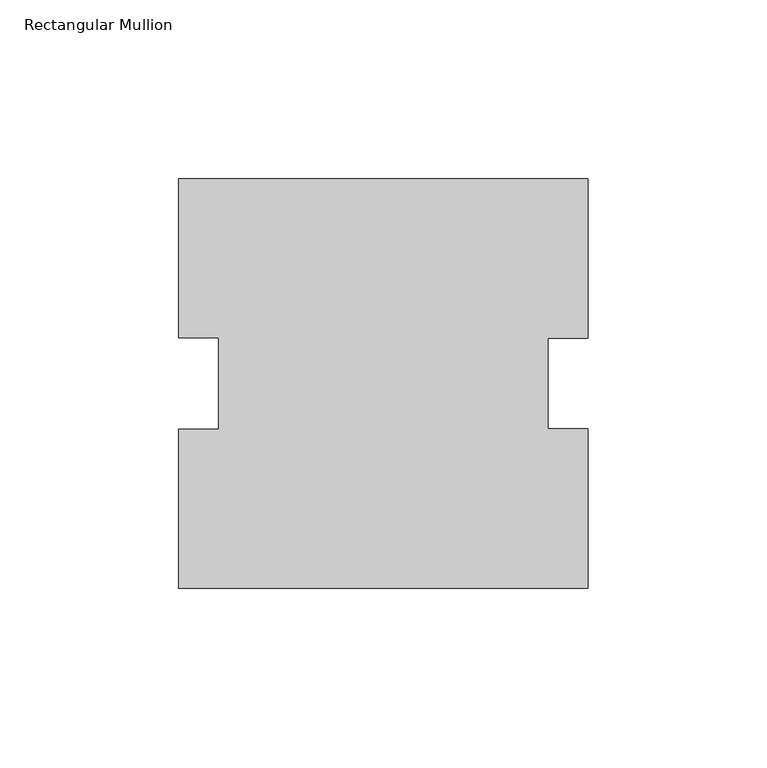
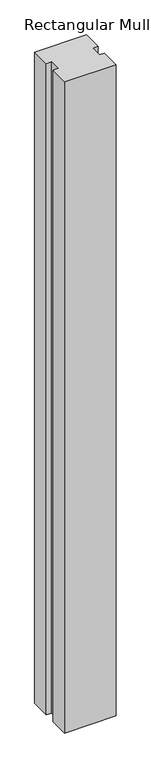
"""IFC4 building model written with IfcOpenShell, lengths in millimetres: member geometry, Rectangular Mullion."""

from ifc_helpers import new_model, si_unit, frame, origin, place, context, project, spatial, polyline, outline, extrude, source, transform, mapped, element, save


def rectangular_mullion_e9bba9c1(model_context):
    return source(origin(), model_context, "Body", "SweptSolid", [
        extrude(outline(polyline([(57.15, -57.15), (-57.1500484, -57.15), (-57.1500484, -12.7584098), (-46.0375484, -12.7584098), (-46.0375484, 12.7310704), (-57.1500484, 12.7310704), (-57.1500484, 57.15), (57.15, 57.15), (57.15, 12.7), (46.0375, 12.7), (46.0375, -12.7), (57.15, -12.7), (57.15, -57.15)])), frame((0.0, 0.0, -1524.0), z_axis=(0.0, 0.0, 1.0), x_axis=(1.0, 0.0, 0.0)), (0.0, 0.0, 1.0), 1524.0),
    ])


if __name__ == "__main__":
    model = new_model("IFC4")
    model_context = context("Model", 3, world=origin())
    ifc_project = project(units=[si_unit("LENGTHUNIT", "METRE", prefix="MILLI")], contexts=[model_context])
    site = spatial("IfcSite", under=ifc_project)
    building = spatial("IfcBuilding", under=site)
    placement = place(None, origin())
    rectangular_mullion_shape = rectangular_mullion_e9bba9c1(model_context)
    element("IfcMember", 1, ObjectType="Rectangular Mullion", at=placement, inside=building, context=model_context, shape_type="MappedRepresentation", body=[
        mapped(rectangular_mullion_shape, transform((0.0, 0.0, 0.0), x_axis=(1.0, 0.0, 0.0), y_axis=(0.0, 1.0, 0.0), z_axis=(0.0, 0.0, 1.0))),
    ])
    save(model, "model.ifc")
